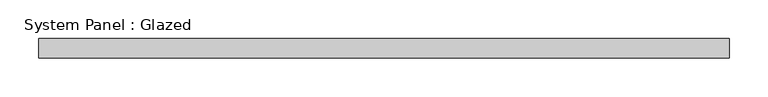
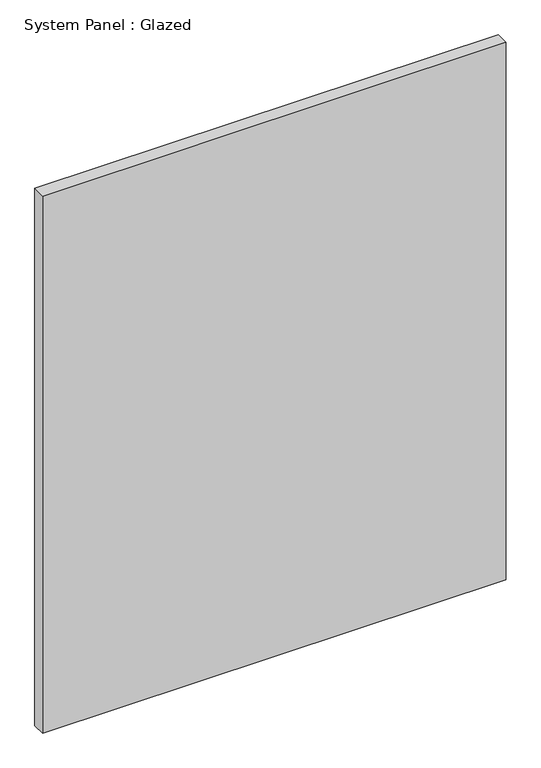
"""IFC4 building model written with IfcOpenShell, lengths in millimetres: plate geometry, System Panel : Glazed."""

from ifc_helpers import new_model, si_unit, origin, origin_with_axes, place, context, project, spatial, polyline, outline, extrude, source, transform, mapped, element, save


def system_panel_glazed_927e4eda(model_context):
    return source(origin(), model_context, "Body", "SweptSolid", [
        extrude(outline(polyline([(445.8792305, -12.7), (-445.8792305, -12.7), (-445.8792305, 12.7), (445.8792305, 12.7), (445.8792305, -12.7)])), origin_with_axes(), (0.0, 0.0, 1.0), 1092.2),
    ])


if __name__ == "__main__":
    model = new_model("IFC4")
    model_context = context("Model", 3, world=origin())
    ifc_project = project(units=[si_unit("LENGTHUNIT", "METRE", prefix="MILLI")], contexts=[model_context])
    site = spatial("IfcSite", under=ifc_project)
    building = spatial("IfcBuilding", under=site)
    placement = place(None, origin())
    system_panel_glazed_shape = system_panel_glazed_927e4eda(model_context)
    element("IfcPlate", 1, ObjectType="System Panel : Glazed", at=placement, inside=building, context=model_context, shape_type="MappedRepresentation", body=[
        mapped(system_panel_glazed_shape, transform((0.0, 0.0, 0.0), x_axis=(1.0, 0.0, 0.0), y_axis=(0.0, 1.0, 0.0), z_axis=(0.0, 0.0, 1.0))),
    ])
    save(model, "model.ifc")
